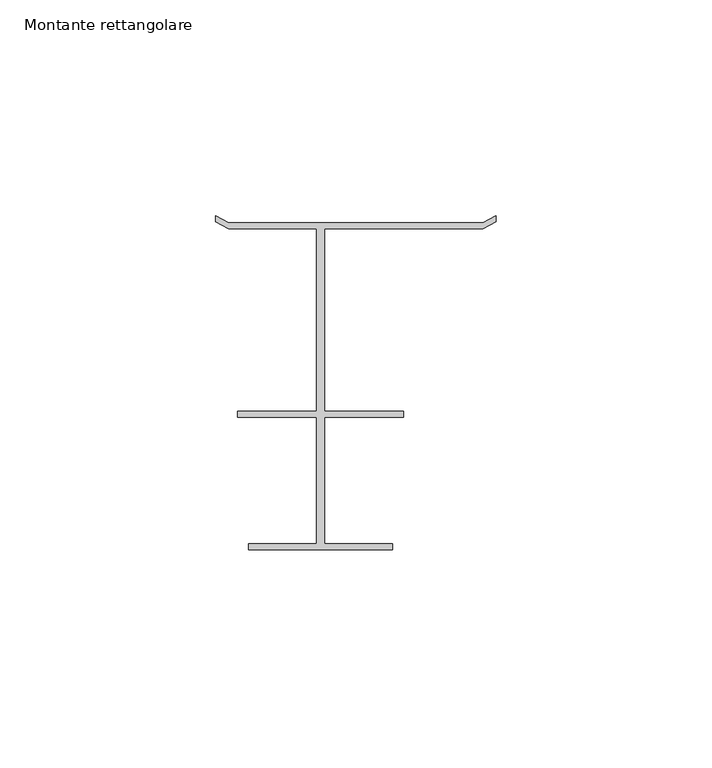
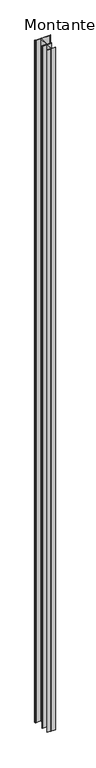
"""IFC4 building model written with IfcOpenShell, lengths in millimetres: member geometry, Montante rettangolare."""

import ifcopenshell
import ifcopenshell.guid

model = None  # the IFC model being written
_history = None  # IfcOwnerHistory: only IFC2X3 demands one
_inside = {}  # id of a spatial element -> (the spatial element, [elements in it])
_under = {}  # id of a project, library or spatial element -> (it, [spatial elements below it])
_declared = {}  # id of a project -> (the project, [libraries it declares])
_typed = {}  # id of a type object -> (the type object, [elements of that type])
_made_of = {}  # id of a material, layer set ... -> (it, [elements and type objects made of it])


def new_model(schema):
    """Start an empty IFC model of exactly this schema.

    Asked for "IFC4X3", IfcOpenShell would pick the latest addendum, in which some entities
    have other attributes; the version numbers below select the first issue.
    IFC2X3 requires an IfcOwnerHistory on every rooted entity: one is made here for all.
    """
    global model, _history
    if schema == "IFC4X3":
        model = ifcopenshell.file(schema_version=(4, 3, 0, 0))
    else:
        model = ifcopenshell.file(schema=schema)
    _inside.clear()
    _under.clear()
    _declared.clear()
    _typed.clear()
    _made_of.clear()
    _history = None
    if model.schema == "IFC2X3":
        org = make("IfcOrganization", Name="unknown")
        user = make(
            "IfcPersonAndOrganization",
            ThePerson=make("IfcPerson", FamilyName="unknown"),
            TheOrganization=org,
        )
        app = make(
            "IfcApplication",
            ApplicationDeveloper=org,
            Version="unknown",
            ApplicationFullName="unknown",
            ApplicationIdentifier="unknown",
        )
        _history = make(
            "IfcOwnerHistory",
            OwningUser=user,
            OwningApplication=app,
            ChangeAction="ADDED",
            CreationDate=0,
        )
    return model


def make(cls, **values):
    """One entity of the class cls with the attributes given. An attribute that is None is left unset."""
    return model.create_entity(
        cls, **{name: value for name, value in values.items() if value is not None}
    )


def rooted(cls, **values):
    """An entity with a GlobalId (a new one), such as an element, a storey or a relation."""
    return make(cls, GlobalId=ifcopenshell.guid.new(), OwnerHistory=_history, **values)


def si_unit(unit_type, name, prefix=None):
    """IfcSIUnit, for example si_unit("LENGTHUNIT", "METRE", prefix="MILLI")."""
    return make("IfcSIUnit", UnitType=unit_type, Prefix=prefix, Name=name)


def assignment(units):
    """IfcUnitAssignment: the units of a project."""
    return None if units is None else make("IfcUnitAssignment", Units=units)


def point(xyz):
    """IfcCartesianPoint."""
    return None if xyz is None else make("IfcCartesianPoint", Coordinates=xyz)


def direction(xyz):
    """IfcDirection."""
    return None if xyz is None else make("IfcDirection", DirectionRatios=xyz)


def frame(location, z_axis=None, x_axis=None):
    """IfcAxis2Placement3D, a coordinate frame: its origin and axes. An axis left out is left unset."""
    return make(
        "IfcAxis2Placement3D",
        Location=point(location),
        Axis=direction(z_axis),
        RefDirection=direction(x_axis),
    )


def origin():
    """The frame at (0, 0, 0) with its axes left unset."""
    return frame((0.0, 0.0, 0.0))


def place(relative_to, where):
    """IfcLocalPlacement: puts the frame where relative to a parent placement (None: the world)."""
    return make(
        "IfcLocalPlacement", PlacementRelTo=relative_to, RelativePlacement=where
    )


def context(
    kind, dimensions, precision=None, world=None, true_north=None, identifier=None
):
    """IfcGeometricRepresentationContext, for example the 3D "Model" context."""
    return make(
        "IfcGeometricRepresentationContext",
        ContextIdentifier=identifier,
        ContextType=kind,
        CoordinateSpaceDimension=dimensions,
        Precision=precision,
        WorldCoordinateSystem=world,
        TrueNorth=true_north,
    )


def project(units=None, contexts=None):
    """IfcProject with its units and contexts."""
    return rooted(
        "IfcProject",
        Name="project",
        RepresentationContexts=contexts,
        UnitsInContext=assignment(units),
    )


def spatial(cls, under=None, at=None, **own):
    """A site, building, storey or space (cls), placed at a placement, below another one or the project."""
    s = rooted(cls, ObjectPlacement=at, **own)
    if under is not None:
        _under.setdefault(under.id(), (under, []))[1].append(s)
    return s


def polyline(points):
    """IfcPolyline through the points."""
    return make("IfcPolyline", Points=[point(p) for p in points])


def outline(outer, holes=None, kind="AREA"):
    """IfcArbitraryClosedProfileDef: a profile drawn as a closed curve; with holes, ...WithVoids."""
    if holes is None:
        return make("IfcArbitraryClosedProfileDef", ProfileType=kind, OuterCurve=outer)
    return make(
        "IfcArbitraryProfileDefWithVoids",
        ProfileType=kind,
        OuterCurve=outer,
        InnerCurves=holes,
    )


def extrude(swept, where, along, depth):
    """IfcExtrudedAreaSolid: the profile swept, set in the frame where, extruded along a direction by depth."""
    return make(
        "IfcExtrudedAreaSolid",
        SweptArea=swept,
        Position=where,
        ExtrudedDirection=direction(along),
        Depth=depth,
    )


def shape(context_of_items, identifier, shape_type, items):
    """IfcShapeRepresentation: the items that make up one representation, for example the "Body"."""
    return make(
        "IfcShapeRepresentation",
        ContextOfItems=context_of_items,
        RepresentationIdentifier=identifier,
        RepresentationType=shape_type,
        Items=items,
    )


def source(mapping_origin, context_of_items, identifier, shape_type, items):
    """IfcRepresentationMap: a shape defined once, which mapped items show again and again."""
    return make(
        "IfcRepresentationMap",
        MappingOrigin=mapping_origin,
        MappedRepresentation=shape(context_of_items, identifier, shape_type, items),
    )


def transform(
    local_origin,
    x_axis=None,
    y_axis=None,
    z_axis=None,
    scale=None,
    scale2=None,
    scale3=None,
    uniform=True,
):
    """IfcCartesianTransformationOperator3D, or its non-uniform kind. x_axis, y_axis, z_axis: its Axis1, 2, 3."""
    if uniform:
        return make(
            "IfcCartesianTransformationOperator3D",
            Axis1=direction(x_axis),
            Axis2=direction(y_axis),
            LocalOrigin=point(local_origin),
            Scale=scale,
            Axis3=direction(z_axis),
        )
    return make(
        "IfcCartesianTransformationOperator3DnonUniform",
        Axis1=direction(x_axis),
        Axis2=direction(y_axis),
        LocalOrigin=point(local_origin),
        Scale=scale,
        Axis3=direction(z_axis),
        Scale2=scale2,
        Scale3=scale3,
    )


def mapped(mapping_source, mapping_target):
    """IfcMappedItem: shows the shape of a source again, moved by a transform."""
    return make(
        "IfcMappedItem", MappingSource=mapping_source, MappingTarget=mapping_target
    )


def made_of(thing, what):
    """Note that an element or type object is made of a material, layer set ...; save() writes the relation."""
    if what is not None:
        _made_of.setdefault(what.id(), (what, []))[1].append(thing)
    return thing


def element(
    cls,
    number,
    at=None,
    inside=None,
    cuts=None,
    type_object=None,
    material=None,
    context=None,
    identifier="Body",
    shape_type=None,
    held_by="IfcProductDefinitionShape",
    body=None,
    shapes=None,
    **own,
):
    """One element of the class cls, such as IfcWall. Its Tag is "e" and its number.

    at: its placement. inside: the storey or other place that contains it. cuts: it is an
    opening in that element (IfcRelVoidsElement). A single representation is given by context,
    identifier, shape_type and body (its items); several are given by shapes. held_by: the class
    of the entity that holds the representations. save() writes the other relations.
    """
    e = rooted(cls, Tag="e%d" % number, ObjectPlacement=at, **own)
    if body is not None:
        shapes = [shape(context, identifier, shape_type, body)]
    if shapes is not None:
        e.Representation = make(held_by, Representations=shapes)
    if inside is not None:
        _inside.setdefault(inside.id(), (inside, []))[1].append(e)
    if cuts is not None:
        rooted(
            "IfcRelVoidsElement", RelatingBuildingElement=cuts, RelatedOpeningElement=e
        )
    if type_object is not None:
        _typed.setdefault(type_object.id(), (type_object, []))[1].append(e)
    return made_of(e, material)


def aggregate(whole, parts):
    """IfcRelAggregates: a whole, such as a stair, and the parts it consists of."""
    return rooted("IfcRelAggregates", RelatingObject=whole, RelatedObjects=parts)


def save(model, path):
    """Write the relations noted so far, then the file.

    IfcRelAggregates (storeys below a building ...), IfcRelContainedInSpatialStructure (elements
    in a storey), IfcRelDefinesByType, IfcRelAssociatesMaterial and IfcRelDeclares: one each for
    every whole, place, type object, material and project.
    """
    for whole, parts in _under.values():
        aggregate(whole, parts)
    for where, things in _inside.values():
        rooted(
            "IfcRelContainedInSpatialStructure",
            RelatedElements=things,
            RelatingStructure=where,
        )
    for kind, things in _typed.values():
        rooted("IfcRelDefinesByType", RelatedObjects=things, RelatingType=kind)
    for what, things in _made_of.values():
        rooted("IfcRelAssociatesMaterial", RelatedObjects=things, RelatingMaterial=what)
    for by, libraries in _declared.values():
        rooted("IfcRelDeclares", RelatingContext=by, RelatedDefinitions=libraries)
    model.write(path)


def montante_rettangolare_c3c99e88(model_context):
    return source(origin(), model_context, "Body", "SweptSolid", [
        extrude(outline(polyline([(39.8453258, 0.0875), (3.0503773, 0.0875), (3.0503773, -42.1985429), (21.3503773, -42.1985429), (21.3503773, -43.5985429), (3.0503773, -43.5985429), (3.0503773, -72.8985429), (18.8503773, -72.8985429), (18.8503773, -74.2985429), (-14.5496227, -74.2985429), (-14.5496227, -72.8985429), (1.2503773, -72.8985429), (1.2503773, -43.5985429), (-17.0496227, -43.5985429), (-17.0496227, -42.1985429), (1.2503773, -42.1985429), (1.2503773, 0.0875), (-19.1097523, 0.0875), (-22.1496227, 1.7087642), (-22.1496227, 3.1087642), (-19.1097523, 1.4875), (39.8453258, 1.4875), (42.8503773, 3.0901941), (42.8503773, 1.6901941), (39.8453258, 0.0875)])), frame((0.0, 0.0, -3000.0), z_axis=(0.0, 0.0, 1.0), x_axis=(1.0, 0.0, 0.0)), (0.0, 0.0, 1.0), 3000.0),
    ])


if __name__ == "__main__":
    model = new_model("IFC4")
    model_context = context("Model", 3, world=origin())
    ifc_project = project(units=[si_unit("LENGTHUNIT", "METRE", prefix="MILLI")], contexts=[model_context])
    site = spatial("IfcSite", under=ifc_project)
    building = spatial("IfcBuilding", under=site)
    placement = place(None, origin())
    montante_rettangolare_shape = montante_rettangolare_c3c99e88(model_context)
    element("IfcMember", 1, ObjectType="Montante rettangolare", at=placement, inside=building, context=model_context, shape_type="MappedRepresentation", body=[
        mapped(montante_rettangolare_shape, transform((0.0, 0.0, 0.0), x_axis=(1.0, 0.0, 0.0), y_axis=(0.0, 1.0, 0.0), z_axis=(0.0, 0.0, 1.0))),
    ])
    save(model, "model.ifc")
